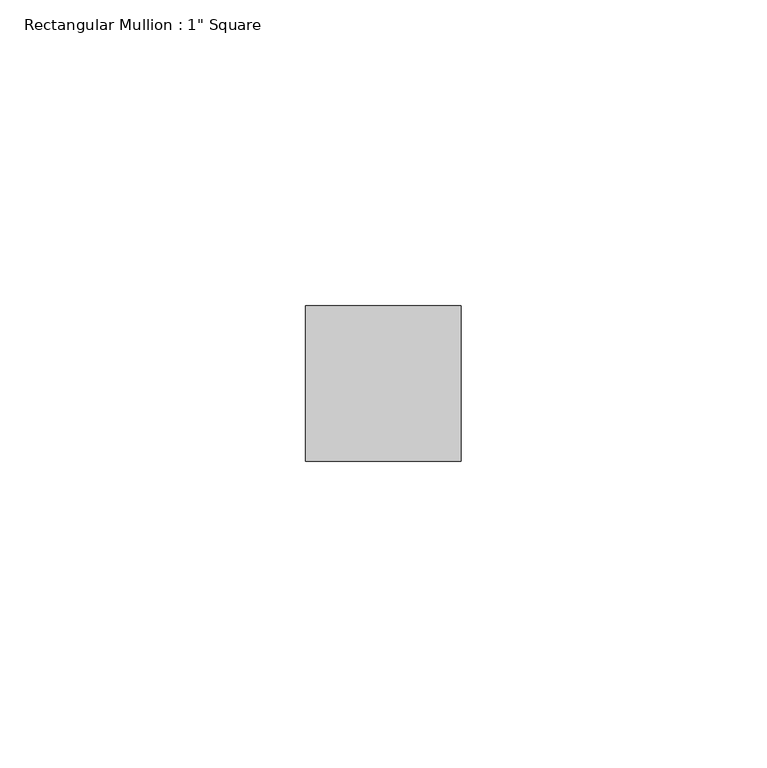
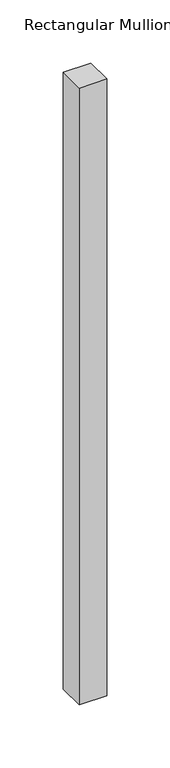
"""IFC4 building model written with IfcOpenShell, lengths in millimetres: member geometry."""

from ifc_helpers import new_model, si_unit, frame, origin, place, context, project, spatial, polyline, outline, extrude, source, transform, mapped, element, save


def member_0acad92b(model_context):
    return source(origin(), model_context, "Body", "SweptSolid", [
        extrude(outline(polyline([(12.7, 12.7), (12.7, -12.7), (-12.7, -12.7), (-12.7, 12.7), (12.7, 12.7)])), frame((0.0, 0.0, -596.9), z_axis=(0.0, 0.0, 1.0), x_axis=(1.0, 0.0, 0.0)), (0.0, 0.0, 1.0), 596.9),
    ])


if __name__ == "__main__":
    model = new_model("IFC4")
    model_context = context("Model", 3, world=origin())
    ifc_project = project(units=[si_unit("LENGTHUNIT", "METRE", prefix="MILLI")], contexts=[model_context])
    site = spatial("IfcSite", under=ifc_project)
    building = spatial("IfcBuilding", under=site)
    placement = place(None, origin())
    member_shape = member_0acad92b(model_context)
    element("IfcMember", 1, ObjectType="Rectangular Mullion : 1\" Square", at=placement, inside=building, context=model_context, shape_type="MappedRepresentation", body=[
        mapped(member_shape, transform((0.0, 0.0, 0.0), x_axis=(1.0, 0.0, 0.0), y_axis=(0.0, 1.0, 0.0), z_axis=(0.0, 0.0, 1.0))),
    ])
    save(model, "model.ifc")
